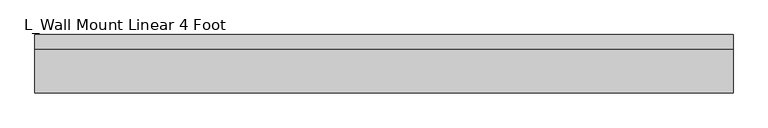
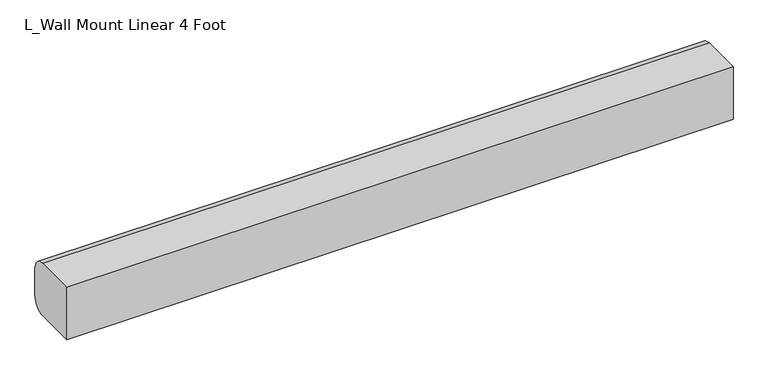
"""IFC4 building model written with IfcOpenShell, lengths in millimetres: light fixture geometry, L_Wall Mount Linear 4 Foot."""

from ifc_helpers import new_model, si_unit, point, frame, frame_2d, origin, place, context, project, spatial, polyline, circle_curve, trimmed, segment, composite_curve, outline, extrude, source, transform, mapped, element, save


def l_wall_mount_linear_4_foot_15a8ff4c(model_context):
    return source(origin(), model_context, "Body", "SweptSolid", [
        extrude(outline(composite_curve([segment(polyline([(0.0, 50.8), (76.2, 50.8)]), True, "CONTINUOUS"), segment(trimmed(circle_curve(frame_2d((76.2, 25.4)), 25.4), [point((76.2, 50.8))], [point((101.6, 25.4))], False, "CARTESIAN"), True, "CONTINUOUS"), segment(polyline([(101.6, 25.4), (101.6, -25.4)]), True, "CONTINUOUS"), segment(trimmed(circle_curve(frame_2d((76.2, -25.4)), 25.4), [point((101.6, -25.4))], [point((76.2, -50.8))], False, "CARTESIAN"), True, "CONTINUOUS"), segment(polyline([(76.2, -50.8), (0.0, -50.8), (0.0, 50.8)]), True, "CONTINUOUS")], self_intersect=False)), frame((-609.6, 0.0, 0.0), z_axis=(1.0, 0.0, 0.0), x_axis=(0.0, 1.0, 0.0)), (0.0, 0.0, 1.0), 1219.2),
    ])


if __name__ == "__main__":
    model = new_model("IFC4")
    model_context = context("Model", 3, world=origin())
    ifc_project = project(units=[si_unit("LENGTHUNIT", "METRE", prefix="MILLI")], contexts=[model_context])
    site = spatial("IfcSite", under=ifc_project)
    building = spatial("IfcBuilding", under=site)
    placement = place(None, origin())
    l_wall_mount_linear_4_foot_shape = l_wall_mount_linear_4_foot_15a8ff4c(model_context)
    element("IfcLightFixture", 1, ObjectType="L_Wall Mount Linear 4 Foot", at=placement, inside=building, context=model_context, shape_type="MappedRepresentation", body=[
        mapped(l_wall_mount_linear_4_foot_shape, transform((0.0, 0.0, 0.0), x_axis=(1.0, 0.0, 0.0), y_axis=(0.0, 1.0, 0.0), z_axis=(0.0, 0.0, 1.0))),
    ])
    save(model, "model.ifc")
